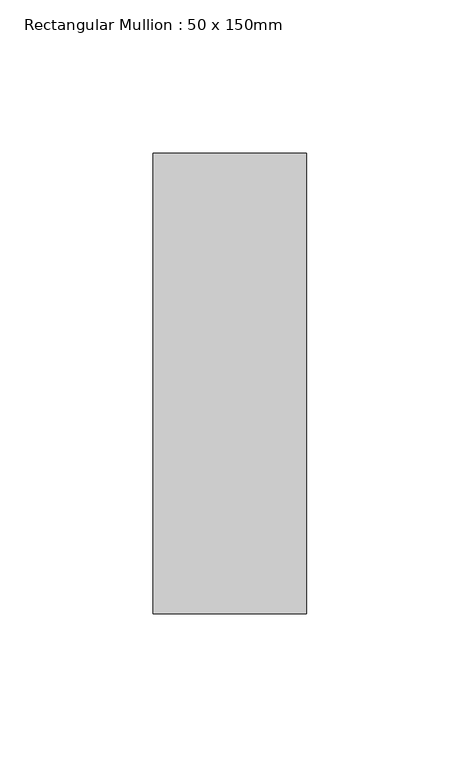
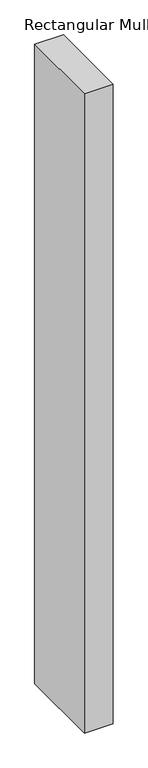
"""IFC4 building model written with IfcOpenShell, lengths in millimetres: member geometry, Rectangular Mullion : 50 x 150mm."""

from ifc_helpers import new_model, si_unit, frame, origin, place, context, project, spatial, polyline, outline, extrude, source, transform, mapped, element, save


def rectangular_mullion_50_x_150mm_e0b2b702(model_context):
    return source(origin(), model_context, "Body", "SweptSolid", [
        extrude(outline(polyline([(25.0, 75.0), (25.0, -75.0), (-25.0, -75.0), (-25.0, 75.0), (25.0, 75.0)])), frame((0.0, 0.0, -1179.0346465), z_axis=(0.0, 0.0, 1.0), x_axis=(1.0, 0.0, 0.0)), (0.0, 0.0, 1.0), 1179.0346465),
    ])


if __name__ == "__main__":
    model = new_model("IFC4")
    model_context = context("Model", 3, world=origin())
    ifc_project = project(units=[si_unit("LENGTHUNIT", "METRE", prefix="MILLI")], contexts=[model_context])
    site = spatial("IfcSite", under=ifc_project)
    building = spatial("IfcBuilding", under=site)
    placement = place(None, origin())
    rectangular_mullion_50_x_150mm_shape = rectangular_mullion_50_x_150mm_e0b2b702(model_context)
    element("IfcMember", 1, ObjectType="Rectangular Mullion : 50 x 150mm", at=placement, inside=building, context=model_context, shape_type="MappedRepresentation", body=[
        mapped(rectangular_mullion_50_x_150mm_shape, transform((0.0, 0.0, 0.0), x_axis=(1.0, 0.0, 0.0), y_axis=(0.0, 1.0, 0.0), z_axis=(0.0, 0.0, 1.0))),
    ])
    save(model, "model.ifc")
